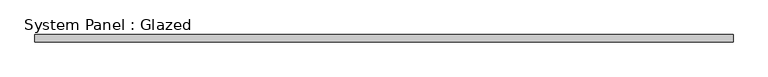
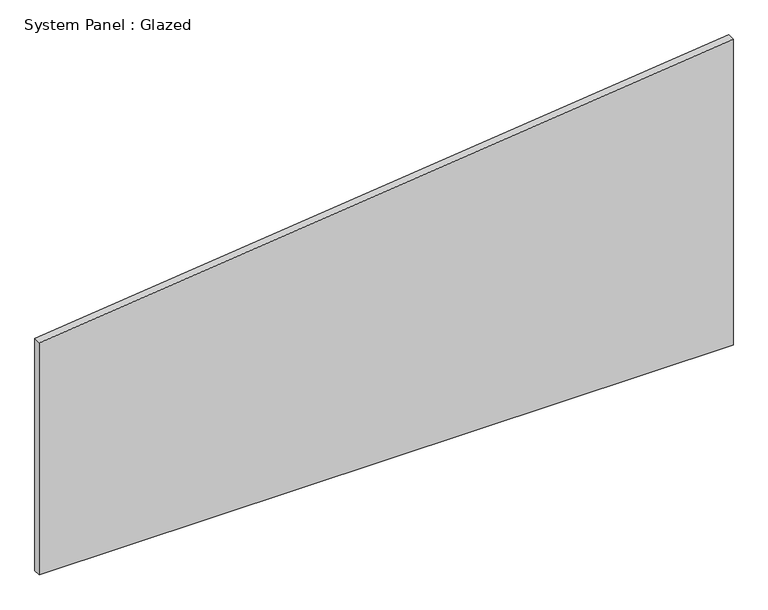
"""IFC4 building model written with IfcOpenShell, lengths in millimetres: plate geometry, System Panel : Glazed."""

from ifc_helpers import new_model, si_unit, frame, origin, place, context, project, spatial, polyline, outline, extrude, source, transform, mapped, element, save


def system_panel_glazed_c4be9da0(model_context):
    return source(origin(), model_context, "Body", "SweptSolid", [
        extrude(outline(polyline([(0.0, -1171.7121958), (0.0, 1171.7121958), (1093.75259, 1171.7121958), (828.7413497, -1171.7121958), (0.0, -1171.7121958)])), frame((0.0, -49.5, 0.0), z_axis=(0.0, 1.0, 0.0), x_axis=(0.0, 0.0, 1.0)), (0.0, 0.0, 1.0), 25.0),
    ])


if __name__ == "__main__":
    model = new_model("IFC4")
    model_context = context("Model", 3, world=origin())
    ifc_project = project(units=[si_unit("LENGTHUNIT", "METRE", prefix="MILLI")], contexts=[model_context])
    site = spatial("IfcSite", under=ifc_project)
    building = spatial("IfcBuilding", under=site)
    placement = place(None, origin())
    system_panel_glazed_shape = system_panel_glazed_c4be9da0(model_context)
    element("IfcPlate", 1, ObjectType="System Panel : Glazed", at=placement, inside=building, context=model_context, shape_type="MappedRepresentation", body=[
        mapped(system_panel_glazed_shape, transform((0.0, 0.0, 0.0), x_axis=(1.0, 0.0, 0.0), y_axis=(0.0, 1.0, 0.0), z_axis=(0.0, 0.0, 1.0))),
    ])
    save(model, "model.ifc")
